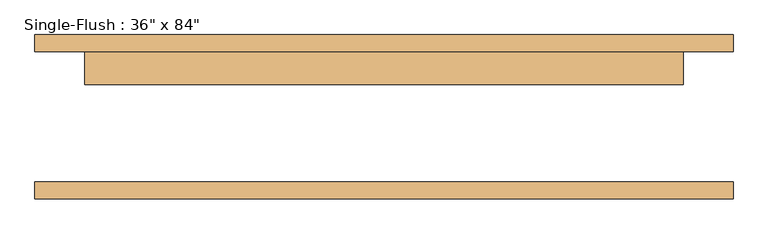
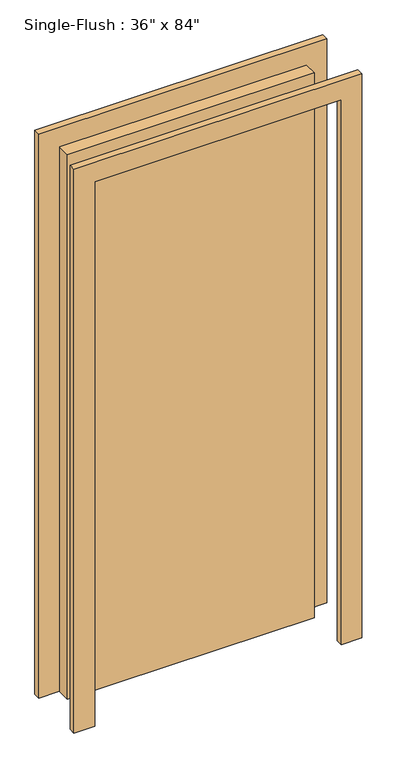
"""IFC4 building model written with IfcOpenShell, lengths in millimetres: door geometry."""

from ifc_helpers import new_model, si_unit, frame, origin, origin_with_axes, place, context, project, spatial, polyline, outline, extrude, source, transform, mapped, element, save


def door_4d022284(model_context):
    return source(origin(), model_context, "Body", "SweptSolid", [
        extrude(outline(polyline([(2209.8, -533.4), (0.0, -533.4), (0.0, -457.2), (2133.6, -457.2), (2133.6, 457.2), (0.0, 457.2), (0.0, 533.4), (2209.8, 533.4), (2209.8, -533.4)])), frame((0.0, 99.975, 0.0), z_axis=(0.0, 1.0, 0.0), x_axis=(0.0, 0.0, 1.0)), (0.0, 0.0, 1.0), 25.4),
        extrude(outline(polyline([(2209.8, 533.4), (2209.8, -533.4), (0.0, -533.4), (0.0, -457.2), (2133.6, -457.2), (2133.6, 457.2), (0.0, 457.2), (0.0, 533.4), (2209.8, 533.4)])), frame((0.0, -125.375, 0.0), z_axis=(0.0, 1.0, 0.0), x_axis=(0.0, 0.0, 1.0)), (0.0, 0.0, 1.0), 25.4),
        extrude(outline(polyline([(457.2, 49.175), (-457.2, 49.175), (-457.2, 99.975), (457.2, 99.975), (457.2, 49.175)])), origin_with_axes(), (0.0, 0.0, 1.0), 2133.6),
    ])


if __name__ == "__main__":
    model = new_model("IFC4")
    model_context = context("Model", 3, world=origin())
    ifc_project = project(units=[si_unit("LENGTHUNIT", "METRE", prefix="MILLI")], contexts=[model_context])
    site = spatial("IfcSite", under=ifc_project)
    building = spatial("IfcBuilding", under=site)
    placement = place(None, origin())
    door_shape = door_4d022284(model_context)
    element("IfcDoor", 1, ObjectType="Single-Flush : 36\" x 84\"", at=placement, inside=building, context=model_context, shape_type="MappedRepresentation", body=[
        mapped(door_shape, transform((0.0, 0.0, 0.0), x_axis=(1.0, 0.0, 0.0), y_axis=(0.0, 1.0, 0.0), z_axis=(0.0, 0.0, 1.0))),
    ])
    save(model, "model.ifc")
